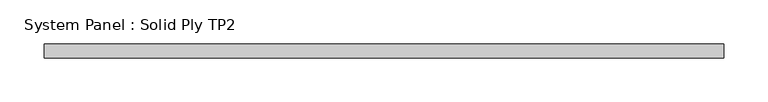
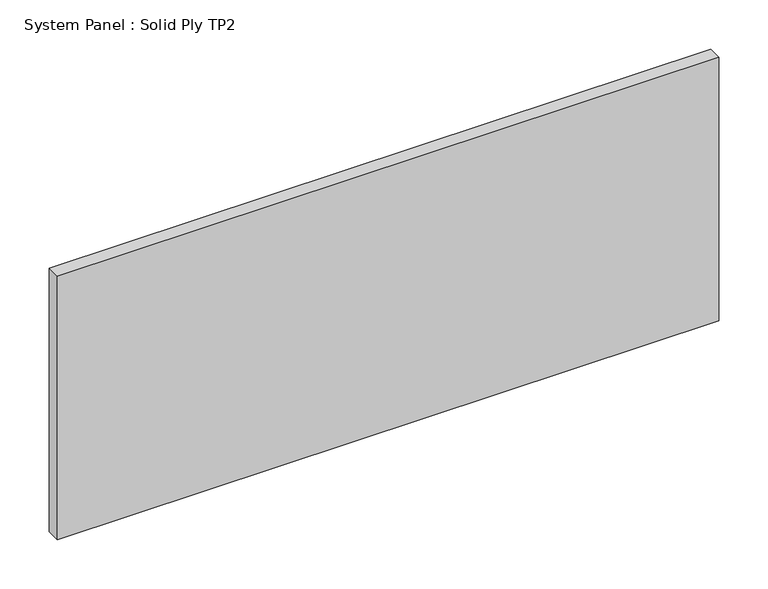
"""IFC4 building model written with IfcOpenShell, lengths in millimetres: plate geometry, System Panel : Solid Ply TP2."""

from ifc_helpers import new_model, si_unit, origin, origin_with_axes, place, context, project, spatial, polyline, outline, extrude, source, transform, mapped, element, save


def system_panel_solid_ply_tp2_283cf367(model_context):
    return source(origin(), model_context, "Body", "SweptSolid", [
        extrude(outline(polyline([(385.9999998, -23.0), (-385.9999998, -23.0), (-385.9999998, -7.0), (385.9999998, -7.0), (385.9999998, -23.0)])), origin_with_axes(), (0.0, 0.0, 1.0), 325.0),
    ])


if __name__ == "__main__":
    model = new_model("IFC4")
    model_context = context("Model", 3, world=origin())
    ifc_project = project(units=[si_unit("LENGTHUNIT", "METRE", prefix="MILLI")], contexts=[model_context])
    site = spatial("IfcSite", under=ifc_project)
    building = spatial("IfcBuilding", under=site)
    placement = place(None, origin())
    system_panel_solid_ply_tp2_shape = system_panel_solid_ply_tp2_283cf367(model_context)
    element("IfcPlate", 1, ObjectType="System Panel : Solid Ply TP2", at=placement, inside=building, context=model_context, shape_type="MappedRepresentation", body=[
        mapped(system_panel_solid_ply_tp2_shape, transform((0.0, 0.0, 0.0), x_axis=(1.0, 0.0, 0.0), y_axis=(0.0, 1.0, 0.0), z_axis=(0.0, 0.0, 1.0))),
    ])
    save(model, "model.ifc")
